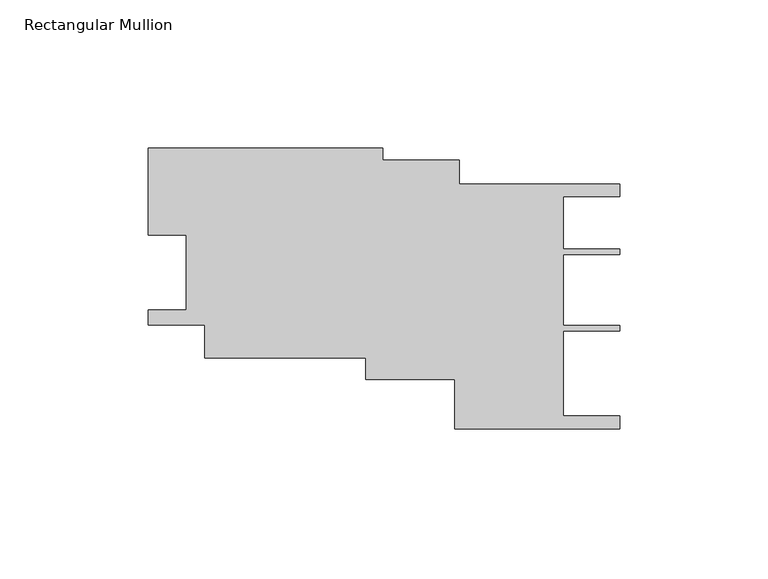
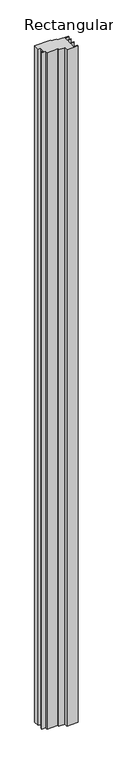
"""IFC4 building model written with IfcOpenShell, lengths in millimetres: member geometry, Rectangular Mullion."""

from ifc_helpers import new_model, si_unit, frame, origin, place, context, project, spatial, polyline, outline, extrude, source, transform, mapped, element, save


def rectangular_mullion_3c11ddb0(model_context):
    return source(origin(), model_context, "Body", "SweptSolid", [
        extrude(outline(polyline([(-146.0658829, 17.2912558), (-158.7659591, 17.2912558), (-158.7569436, 46.603454), (-79.8621898, 46.603454), (-79.8621898, 42.5843632), (-53.9848115, 42.5843632), (-53.9848115, 34.5840505), (0.0, 34.5840505), (0.0, 30.2658752), (-19.0507734, 30.2658752), (-19.0507734, 12.5583488), (-0.0076677, 12.5583488), (-0.0076677, 10.7802766), (-19.0156615, 10.7802766), (-19.0156615, -13.2236441), (-0.0076677, -13.2236441), (-0.0076677, -15.0017163), (-19.0507734, -15.0017163), (-19.0507734, -43.651044), (0.0, -43.651044), (0.0, -47.9692193), (-55.5647582, -47.9692193), (-55.5647582, -31.333482), (-85.4982927, -31.333482), (-85.4982927, -24.0934009), (-139.7166411, -24.0934009), (-139.7166411, -13.0693534), (-158.7674145, -13.0693534), (-158.7674145, -7.862142), (-146.0658829, -7.862142), (-146.0658829, 17.2912558)])), frame((0.0, 0.0, -3516.3171877), z_axis=(0.0, 0.0, 1.0), x_axis=(1.0, 0.0, 0.0)), (0.0, 0.0, 1.0), 3516.3171877),
    ])


if __name__ == "__main__":
    model = new_model("IFC4")
    model_context = context("Model", 3, world=origin())
    ifc_project = project(units=[si_unit("LENGTHUNIT", "METRE", prefix="MILLI")], contexts=[model_context])
    site = spatial("IfcSite", under=ifc_project)
    building = spatial("IfcBuilding", under=site)
    placement = place(None, origin())
    rectangular_mullion_shape = rectangular_mullion_3c11ddb0(model_context)
    element("IfcMember", 1, ObjectType="Rectangular Mullion", at=placement, inside=building, context=model_context, shape_type="MappedRepresentation", body=[
        mapped(rectangular_mullion_shape, transform((0.0, 0.0, 0.0), x_axis=(1.0, 0.0, 0.0), y_axis=(0.0, 1.0, 0.0), z_axis=(0.0, 0.0, 1.0))),
    ])
    save(model, "model.ifc")
